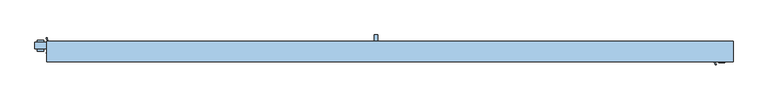
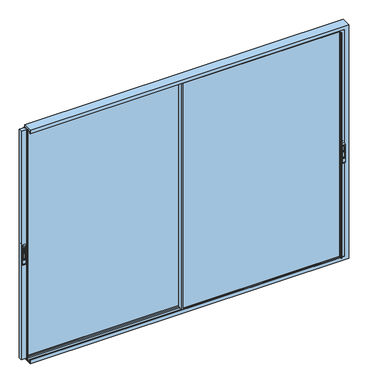
"""IFC4 building model written with IfcOpenShell, lengths in millimetres: window geometry."""

from ifc_helpers import new_model, si_unit, point, frame, frame_2d, origin, place, context, project, spatial, polyline, circle_curve, trimmed, segment, composite_curve, outline, extrude, faceted_brep, source, transform, mapped, element, save
from ifc_brep_helpers import plane_surface, cylinder_surface, revolved_surface, advanced_brep


def window_eadae172(model_context):
    return source(origin(), model_context, "Body", "SolidModel", [
        extrude(outline(composite_curve([segment(polyline([(-39.3, 2125.2189223), (-39.3, 2189.6559659)]), True, "CONTINUOUS"), segment(trimmed(circle_curve(frame_2d((-28.7370436, 2189.6559659)), 10.5629564), [point((-39.3, 2189.6559659))], [point((-28.7370436, 2200.2189223))], False, "CARTESIAN"), True, "CONTINUOUS"), segment(polyline([(-28.7370436, 2200.2189223), (-33.5185218, 2125.2189223), (-39.3, 2125.2189223)]), True, "CONTINUOUS")], self_intersect=False)), frame((-4056.8011682, 0.0, 0.0), z_axis=(1.0, 0.0, 0.0), x_axis=(0.0, 1.0, 0.0)), (0.0, 0.0, 1.0), 14.8235768),
        advanced_brep(
        [(-4031.3935563, -39.3, 2057.5), (-4031.3935563, -27.3, 2040.0), (-4031.3935563, -27.3, 2300.0), (-4031.3935563, -39.3, 2282.5), (-4067.3472469, -39.3, 2057.5), (-4067.3472469, -39.3, 2282.5), (-4067.3472469, -27.3, 2300.0), (-4067.3472469, -27.3, 2040.0), (-4058.1846318, -39.3, 2266.667345), (-4040.5941278, -39.3, 2266.667345), (-4040.5941278, -39.3, 2110.7687336), (-4058.1846318, -39.3, 2110.7687336), (-4040.5941278, -28.7370436, 2266.667345), (-4058.1846318, -28.7370436, 2266.667345), (-4058.1846318, -28.7370436, 2110.7687336), (-4040.5941278, -28.7370436, 2110.7687336)],
        [
            (0, 1, circle_curve(frame((-4031.3935563, -20.5395833, 2057.5), z_axis=(1.0, 0.0, 0.0), x_axis=(0.0, 0.0, -1.0)), 18.7604167)),
            (1, 2),
            (2, 3, circle_curve(frame((-4031.3935563, -20.5395833, 2282.5), z_axis=(1.0, 0.0, 0.0), x_axis=(0.0, 0.0, -1.0)), 18.7604167)),
            (3, 0),
            (4, 5),
            (5, 6, circle_curve(frame((-4067.3472469, -20.5395833, 2282.5), z_axis=(-1.0, 0.0, 0.0), x_axis=(0.0, 0.0, -1.0)), 18.7604167)),
            (6, 7),
            (7, 4, circle_curve(frame((-4067.3472469, -20.5395833, 2057.5), z_axis=(-1.0, 0.0, 0.0), x_axis=(0.0, 0.0, -1.0)), 18.7604167)),
            (1, 7),
            (6, 2),
            (3, 5),
            (4, 0),
            (8, 9),
            (9, 10),
            (10, 11),
            (11, 8),
            (12, 13),
            (13, 14),
            (14, 15),
            (15, 12),
            (12, 9),
            (8, 13),
            (11, 14),
            (10, 15),
        ],
        [
            plane_surface(frame((-4031.3935563, -20.5395833, 2038.7395833), z_axis=(1.0, 0.0, 0.0), x_axis=(0.0, 1.0, 0.0))),
            plane_surface(frame((-4067.3472469, -20.5395833, 2038.7395833), z_axis=(-1.0, 0.0, 0.0), x_axis=(0.0, -1.0, 0.0))),
            plane_surface(frame((-4031.3935563, -27.3, 2040.0), z_axis=(0.0, 1.0, 0.0), x_axis=(-1.0, 0.0, 0.0))),
            plane_surface(frame((-4031.3935563, -39.3, 2282.5), z_axis=(0.0, -1.0, 0.0), x_axis=(-1.0, 0.0, 0.0))),
            plane_surface(frame((-4058.1846318, -28.7370436, 2266.667345), z_axis=(0.0, -1.0, 0.0), x_axis=(1.0, 0.0, 0.0))),
            plane_surface(frame((-4040.5941278, -39.3, 2266.667345), z_axis=(0.0, 0.0, -1.0), x_axis=(0.0, 1.0, 0.0))),
            plane_surface(frame((-4058.1846318, -39.3, 2266.667345), z_axis=(1.0, 0.0, 0.0), x_axis=(0.0, 1.0, 0.0))),
            plane_surface(frame((-4058.1846318, -39.3, 2110.7687336), z_axis=(0.0, 0.0, 1.0), x_axis=(0.0, 1.0, 0.0))),
            plane_surface(frame((-4040.5941278, -39.3, 2110.7687336), z_axis=(-1.0, 0.0, 0.0), x_axis=(0.0, 1.0, 0.0))),
            cylinder_surface(frame((-4067.3472469, -20.5395833, 2057.5), z_axis=(1.0, 0.0, 0.0), x_axis=(0.0, 0.0, -1.0)), 18.7604167),
            cylinder_surface(frame((-4067.3472469, -20.5395833, 2282.5), z_axis=(1.0, 0.0, 0.0), x_axis=(0.0, 0.0, -1.0)), 18.7604167),
        ],
        [
            (0, [[1, 2, 3, 4]]),
            (1, [[5, 6, 7, 8]]),
            (2, [[-2, 9, -7, 10]]),
            (3, [[-4, 11, -5, 12], [13, 14, 15, 16]]),
            (4, [[17, 18, 19, 20]]),
            (5, [[-17, 21, -13, 22]]),
            (6, [[-18, -22, -16, 23]]),
            (7, [[-19, -23, -15, 24]]),
            (8, [[-20, -24, -14, -21]]),
            (9, [[-1, -12, -8, -9]]),
            (10, [[-3, -10, -6, -11]]),
        ],
    ),
        extrude(outline(composite_curve([segment(polyline([(21.1, 2125.2189223), (15.3185218, 2125.2189223), (10.5370436, 2200.2189223)]), True, "CONTINUOUS"), segment(trimmed(circle_curve(frame_2d((10.5370436, 2189.6559659)), 10.5629564), [point((10.5370436, 2200.2189223))], [point((21.1, 2189.6559659))], False, "CARTESIAN"), True, "CONTINUOUS"), segment(polyline([(21.1, 2189.6559659), (21.1, 2125.2189223)]), True, "CONTINUOUS")], self_intersect=False)), frame((-4056.7632118, 0.0, 0.0), z_axis=(1.0, 0.0, 0.0), x_axis=(0.0, 1.0, 0.0)), (0.0, 0.0, 1.0), 14.8235768),
        advanced_brep(
        [(-4067.3472469, 21.1, 2057.5), (-4067.3472469, 9.1, 2040.0), (-4067.3472469, 9.1, 2300.0), (-4067.3472469, 21.1, 2282.5), (-4031.3935563, 21.1, 2057.5), (-4031.3935563, 21.1, 2282.5), (-4031.3935563, 9.1, 2300.0), (-4031.3935563, 9.1, 2040.0), (-4040.5561714, 21.1, 2266.667345), (-4058.1466754, 21.1, 2266.667345), (-4058.1466754, 21.1, 2110.7687336), (-4040.5561714, 21.1, 2110.7687336), (-4058.1466754, 10.5370436, 2266.667345), (-4040.5561714, 10.5370436, 2266.667345), (-4040.5561714, 10.5370436, 2110.7687336), (-4058.1466754, 10.5370436, 2110.7687336)],
        [
            (0, 1, circle_curve(frame((-4067.3472469, 2.3395833, 2057.5), z_axis=(-1.0, 0.0, 0.0), x_axis=(0.0, 0.0, -1.0)), 18.7604167)),
            (1, 2),
            (2, 3, circle_curve(frame((-4067.3472469, 2.3395833, 2282.5), z_axis=(-1.0, 0.0, 0.0), x_axis=(0.0, 0.0, -1.0)), 18.7604167)),
            (3, 0),
            (4, 5),
            (5, 6, circle_curve(frame((-4031.3935563, 2.3395833, 2282.5), z_axis=(1.0, 0.0, 0.0), x_axis=(0.0, 0.0, -1.0)), 18.7604167)),
            (6, 7),
            (7, 4, circle_curve(frame((-4031.3935563, 2.3395833, 2057.5), z_axis=(1.0, 0.0, 0.0), x_axis=(0.0, 0.0, -1.0)), 18.7604167)),
            (1, 7),
            (6, 2),
            (3, 5),
            (4, 0),
            (8, 9),
            (9, 10),
            (10, 11),
            (11, 8),
            (12, 13),
            (13, 14),
            (14, 15),
            (15, 12),
            (12, 9),
            (8, 13),
            (11, 14),
            (10, 15),
        ],
        [
            plane_surface(frame((-4067.3472469, 2.3395833, 2038.7395833), z_axis=(-1.0, 0.0, 0.0), x_axis=(0.0, -1.0, 0.0))),
            plane_surface(frame((-4031.3935563, 2.3395833, 2038.7395833), z_axis=(1.0, 0.0, 0.0), x_axis=(0.0, 1.0, 0.0))),
            plane_surface(frame((-4067.3472469, 9.1, 2040.0), z_axis=(0.0, -1.0, 0.0), x_axis=(1.0, 0.0, 0.0))),
            plane_surface(frame((-4067.3472469, 21.1, 2282.5), z_axis=(0.0, 1.0, 0.0), x_axis=(1.0, 0.0, 0.0))),
            plane_surface(frame((-4040.5561714, 10.5370436, 2266.667345), z_axis=(0.0, 1.0, 0.0), x_axis=(-1.0, 0.0, 0.0))),
            plane_surface(frame((-4058.1466754, 21.1, 2266.667345), z_axis=(0.0, 0.0, -1.0), x_axis=(0.0, -1.0, 0.0))),
            plane_surface(frame((-4040.5561714, 21.1, 2266.667345), z_axis=(-1.0, 0.0, 0.0), x_axis=(0.0, -1.0, 0.0))),
            plane_surface(frame((-4040.5561714, 21.1, 2110.7687336), z_axis=(0.0, 0.0, 1.0), x_axis=(0.0, -1.0, 0.0))),
            plane_surface(frame((-4058.1466754, 21.1, 2110.7687336), z_axis=(1.0, 0.0, 0.0), x_axis=(0.0, -1.0, 0.0))),
            cylinder_surface(frame((-4031.3935563, 2.3395833, 2057.5), z_axis=(-1.0, 0.0, 0.0), x_axis=(0.0, 0.0, -1.0)), 18.7604167),
            cylinder_surface(frame((-4031.3935563, 2.3395833, 2282.5), z_axis=(-1.0, 0.0, 0.0), x_axis=(0.0, 0.0, -1.0)), 18.7604167),
        ],
        [
            (0, [[1, 2, 3, 4]]),
            (1, [[5, 6, 7, 8]]),
            (2, [[-2, 9, -7, 10]]),
            (3, [[-4, 11, -5, 12], [13, 14, 15, 16]]),
            (4, [[17, 18, 19, 20]]),
            (5, [[-17, 21, -13, 22]]),
            (6, [[-18, -22, -16, 23]]),
            (7, [[-19, -23, -15, 24]]),
            (8, [[-20, -24, -14, -21]]),
            (9, [[-1, -12, -8, -9]]),
            (10, [[-3, -10, -6, -11]]),
        ],
    ),
        extrude(outline(composite_curve([segment(polyline([(-105.3, 2125.2189223), (-105.3, 2189.6559659)]), True, "CONTINUOUS"), segment(trimmed(circle_curve(frame_2d((-94.7370436, 2189.6559659)), 10.5629564), [point((-105.3, 2189.6559659))], [point((-94.7370436, 2200.2189223))], False, "CARTESIAN"), True, "CONTINUOUS"), segment(polyline([(-94.7370436, 2200.2189223), (-99.5185218, 2125.2189223), (-105.3, 2125.2189223)]), True, "CONTINUOUS")], self_intersect=False)), frame((-221.5078777, 0.0, 0.0), z_axis=(1.0, 0.0, 0.0), x_axis=(0.0, 1.0, 0.0)), (0.0, 0.0, 1.0), 14.8235768),
        advanced_brep(
        [(-196.1002658, -105.3, 2057.5), (-196.1002658, -93.3, 2040.0), (-196.1002658, -93.3, 2300.0), (-196.1002658, -105.3, 2282.5), (-232.0539565, -105.3, 2057.5), (-232.0539565, -105.3, 2282.5), (-232.0539565, -93.3, 2300.0), (-232.0539565, -93.3, 2040.0), (-222.8913413, -105.3, 2266.667345), (-205.3008373, -105.3, 2266.667345), (-205.3008373, -105.3, 2110.7687336), (-222.8913413, -105.3, 2110.7687336), (-205.3008373, -94.7370436, 2266.667345), (-222.8913413, -94.7370436, 2266.667345), (-222.8913413, -94.7370436, 2110.7687336), (-205.3008373, -94.7370436, 2110.7687336)],
        [
            (0, 1, circle_curve(frame((-196.1002658, -86.5395833, 2057.5), z_axis=(1.0, 0.0, 0.0), x_axis=(0.0, 0.0, -1.0)), 18.7604167)),
            (1, 2),
            (2, 3, circle_curve(frame((-196.1002658, -86.5395833, 2282.5), z_axis=(1.0, 0.0, 0.0), x_axis=(0.0, 0.0, -1.0)), 18.7604167)),
            (3, 0),
            (4, 5),
            (5, 6, circle_curve(frame((-232.0539565, -86.5395833, 2282.5), z_axis=(-1.0, 0.0, 0.0), x_axis=(0.0, 0.0, -1.0)), 18.7604167)),
            (6, 7),
            (7, 4, circle_curve(frame((-232.0539565, -86.5395833, 2057.5), z_axis=(-1.0, 0.0, 0.0), x_axis=(0.0, 0.0, -1.0)), 18.7604167)),
            (1, 7),
            (6, 2),
            (3, 5),
            (4, 0),
            (8, 9),
            (9, 10),
            (10, 11),
            (11, 8),
            (12, 13),
            (13, 14),
            (14, 15),
            (15, 12),
            (12, 9),
            (8, 13),
            (11, 14),
            (10, 15),
        ],
        [
            plane_surface(frame((-196.1002658, -86.5395833, 2038.7395833), z_axis=(1.0, 0.0, 0.0), x_axis=(0.0, 1.0, 0.0))),
            plane_surface(frame((-232.0539565, -86.5395833, 2038.7395833), z_axis=(-1.0, 0.0, 0.0), x_axis=(0.0, -1.0, 0.0))),
            plane_surface(frame((-196.1002658, -93.3, 2040.0), z_axis=(0.0, 1.0, 0.0), x_axis=(-1.0, 0.0, 0.0))),
            plane_surface(frame((-196.1002658, -105.3, 2282.5), z_axis=(0.0, -1.0, 0.0), x_axis=(-1.0, 0.0, 0.0))),
            plane_surface(frame((-222.8913413, -94.7370436, 2266.667345), z_axis=(0.0, -1.0, 0.0), x_axis=(1.0, 0.0, 0.0))),
            plane_surface(frame((-205.3008373, -105.3, 2266.667345), z_axis=(0.0, 0.0, -1.0), x_axis=(0.0, 1.0, 0.0))),
            plane_surface(frame((-222.8913413, -105.3, 2266.667345), z_axis=(1.0, 0.0, 0.0), x_axis=(0.0, 1.0, 0.0))),
            plane_surface(frame((-222.8913413, -105.3, 2110.7687336), z_axis=(0.0, 0.0, 1.0), x_axis=(0.0, 1.0, 0.0))),
            plane_surface(frame((-205.3008373, -105.3, 2110.7687336), z_axis=(-1.0, 0.0, 0.0), x_axis=(0.0, 1.0, 0.0))),
            cylinder_surface(frame((-232.0539565, -86.5395833, 2057.5), z_axis=(1.0, 0.0, 0.0), x_axis=(0.0, 0.0, -1.0)), 18.7604167),
            cylinder_surface(frame((-232.0539565, -86.5395833, 2282.5), z_axis=(1.0, 0.0, 0.0), x_axis=(0.0, 0.0, -1.0)), 18.7604167),
        ],
        [
            (0, [[1, 2, 3, 4]]),
            (1, [[5, 6, 7, 8]]),
            (2, [[-2, 9, -7, 10]]),
            (3, [[-4, 11, -5, 12], [13, 14, 15, 16]]),
            (4, [[17, 18, 19, 20]]),
            (5, [[-17, 21, -13, 22]]),
            (6, [[-18, -22, -16, 23]]),
            (7, [[-19, -23, -15, 24]]),
            (8, [[-20, -24, -14, -21]]),
            (9, [[-1, -12, -8, -9]]),
            (10, [[-3, -10, -6, -11]]),
        ],
    ),
        extrude(outline(composite_curve([segment(polyline([(-44.9, 2125.2189223), (-50.6814782, 2125.2189223), (-55.4629564, 2200.2189223)]), True, "CONTINUOUS"), segment(trimmed(circle_curve(frame_2d((-55.4629564, 2189.6559659)), 10.5629564), [point((-55.4629564, 2200.2189223))], [point((-44.9, 2189.6559659))], False, "CARTESIAN"), True, "CONTINUOUS"), segment(polyline([(-44.9, 2189.6559659), (-44.9, 2125.2189223)]), True, "CONTINUOUS")], self_intersect=False)), frame((-221.4760993, 0.0, 0.0), z_axis=(1.0, 0.0, 0.0), x_axis=(0.0, 1.0, 0.0)), (0.0, 0.0, 1.0), 14.8235768),
        advanced_brep(
        [(-232.0601344, -44.9, 2057.5), (-232.0601344, -56.9, 2040.0), (-232.0601344, -56.9, 2300.0), (-232.0601344, -44.9, 2282.5), (-196.1064437, -44.9, 2057.5), (-196.1064437, -44.9, 2282.5), (-196.1064437, -56.9, 2300.0), (-196.1064437, -56.9, 2040.0), (-205.2690589, -44.9, 2266.667345), (-222.8595629, -44.9, 2266.667345), (-222.8595629, -44.9, 2110.7687336), (-205.2690589, -44.9, 2110.7687336), (-222.8595629, -55.4629564, 2266.667345), (-205.2690589, -55.4629564, 2266.667345), (-205.2690589, -55.4629564, 2110.7687336), (-222.8595629, -55.4629564, 2110.7687336)],
        [
            (0, 1, circle_curve(frame((-232.0601344, -63.6604167, 2057.5), z_axis=(-1.0, 0.0, 0.0), x_axis=(0.0, 0.0, -1.0)), 18.7604167)),
            (1, 2),
            (2, 3, circle_curve(frame((-232.0601344, -63.6604167, 2282.5), z_axis=(-1.0, 0.0, 0.0), x_axis=(0.0, 0.0, -1.0)), 18.7604167)),
            (3, 0),
            (4, 5),
            (5, 6, circle_curve(frame((-196.1064437, -63.6604167, 2282.5), z_axis=(1.0, 0.0, 0.0), x_axis=(0.0, 0.0, -1.0)), 18.7604167)),
            (6, 7),
            (7, 4, circle_curve(frame((-196.1064437, -63.6604167, 2057.5), z_axis=(1.0, 0.0, 0.0), x_axis=(0.0, 0.0, -1.0)), 18.7604167)),
            (1, 7),
            (6, 2),
            (3, 5),
            (4, 0),
            (8, 9),
            (9, 10),
            (10, 11),
            (11, 8),
            (12, 13),
            (13, 14),
            (14, 15),
            (15, 12),
            (12, 9),
            (8, 13),
            (11, 14),
            (10, 15),
        ],
        [
            plane_surface(frame((-232.0601344, -63.6604167, 2038.7395833), z_axis=(-1.0, 0.0, 0.0), x_axis=(0.0, -1.0, 0.0))),
            plane_surface(frame((-196.1064437, -63.6604167, 2038.7395833), z_axis=(1.0, 0.0, 0.0), x_axis=(0.0, 1.0, 0.0))),
            plane_surface(frame((-232.0601344, -56.9, 2040.0), z_axis=(0.0, -1.0, 0.0), x_axis=(1.0, 0.0, 0.0))),
            plane_surface(frame((-232.0601344, -44.9, 2282.5), z_axis=(0.0, 1.0, 0.0), x_axis=(1.0, 0.0, 0.0))),
            plane_surface(frame((-205.2690589, -55.4629564, 2266.667345), z_axis=(0.0, 1.0, 0.0), x_axis=(-1.0, 0.0, 0.0))),
            plane_surface(frame((-222.8595629, -44.9, 2266.667345), z_axis=(0.0, 0.0, -1.0), x_axis=(0.0, -1.0, 0.0))),
            plane_surface(frame((-205.2690589, -44.9, 2266.667345), z_axis=(-1.0, 0.0, 0.0), x_axis=(0.0, -1.0, 0.0))),
            plane_surface(frame((-205.2690589, -44.9, 2110.7687336), z_axis=(0.0, 0.0, 1.0), x_axis=(0.0, -1.0, 0.0))),
            plane_surface(frame((-222.8595629, -44.9, 2110.7687336), z_axis=(1.0, 0.0, 0.0), x_axis=(0.0, -1.0, 0.0))),
            cylinder_surface(frame((-196.1064437, -63.6604167, 2057.5), z_axis=(-1.0, 0.0, 0.0), x_axis=(0.0, 0.0, -1.0)), 18.7604167),
            cylinder_surface(frame((-196.1064437, -63.6604167, 2282.5), z_axis=(-1.0, 0.0, 0.0), x_axis=(0.0, 0.0, -1.0)), 18.7604167),
        ],
        [
            (0, [[1, 2, 3, 4]]),
            (1, [[5, 6, 7, 8]]),
            (2, [[-2, 9, -7, 10]]),
            (3, [[-4, 11, -5, 12], [13, 14, 15, 16]]),
            (4, [[17, 18, 19, 20]]),
            (5, [[-17, 21, -13, 22]]),
            (6, [[-18, -22, -16, 23]]),
            (7, [[-19, -23, -15, 24]]),
            (8, [[-20, -24, -14, -21]]),
            (9, [[-1, -12, -8, -9]]),
            (10, [[-3, -10, -6, -11]]),
        ],
    ),
        faceted_brep([(-4016.4123052, 15.8, 800.0), (-4016.4123052, -100.0, 800.0), (-4016.4123052, -100.0, 844.0), (-4016.4123052, -95.8, 844.0), (-4016.4123052, -95.8, 819.456958), (-4016.4123052, -53.9, 819.456958), (-4016.4123052, -53.9, 844.0), (-4016.4123052, -30.3, 844.0), (-4016.4123052, -30.3, 819.2), (-4016.4123052, 12.1, 819.2), (-4016.4123052, 12.1, 844.0), (-4016.4123052, 15.8, 844.0), (-150.0, 15.8, 800.0), (-150.0, -100.0, 800.0), (-150.0, -100.0, 3800.0), (-4016.4123052, -100.0, 3800.0), (-4016.4123052, -100.0, 3756.0), (-194.0, -100.0, 3756.0), (-194.0, -100.0, 844.0), (-194.0, -95.8, 844.0), (-194.0, -95.8, 3756.0), (-4016.4123052, -95.8, 3756.0), (-4016.4123052, -95.8, 3780.543042), (-169.456958, -95.8, 3780.543042), (-169.456958, -95.8, 819.456958), (-169.456958, -53.9, 819.456958), (-169.456958, -53.9, 3780.543042), (-4016.4123052, -53.9, 3780.543042), (-4016.4123052, -53.9, 3756.0), (-194.0, -53.9, 3756.0), (-194.0, -53.9, 844.0), (-194.0, -30.3, 844.0), (-194.0, -30.3, 3756.0), (-4016.4123052, -30.3, 3756.0), (-4016.4123052, -30.3, 3780.8), (-169.2, -30.3, 3780.8), (-169.2, -30.3, 819.2), (-169.2, 12.1, 819.2), (-169.2, 12.1, 3780.8), (-4016.4123052, 12.1, 3780.8), (-4016.4123052, 12.1, 3756.0), (-194.0, 12.1, 3756.0), (-194.0, 12.1, 844.0), (-194.0, 15.8, 844.0), (-194.0, 15.8, 3756.0), (-4016.4123052, 15.8, 3756.0), (-4016.4123052, 15.8, 3800.0), (-150.0, 15.8, 3800.0)], [[[0, 1, 2, 3, 4, 5, 6, 7, 8, 9, 10, 11]], [[1, 0, 12, 13]], [[2, 1, 13, 14, 15, 16, 17, 18]], [[3, 2, 18, 19]], [[4, 3, 19, 20, 21, 22, 23, 24]], [[5, 4, 24, 25]], [[6, 5, 25, 26, 27, 28, 29, 30]], [[7, 6, 30, 31]], [[8, 7, 31, 32, 33, 34, 35, 36]], [[9, 8, 36, 37]], [[10, 9, 37, 38, 39, 40, 41, 42]], [[11, 10, 42, 43]], [[0, 11, 43, 44, 45, 46, 47, 12]], [[13, 12, 47, 14]], [[19, 18, 17, 20]], [[25, 24, 23, 26]], [[31, 30, 29, 32]], [[37, 36, 35, 38]], [[43, 42, 41, 44]], [[14, 47, 46, 15]], [[46, 45, 40, 39, 34, 33, 28, 27, 22, 21, 16, 15]], [[20, 17, 16, 21]], [[26, 23, 22, 27]], [[32, 29, 28, 33]], [[38, 35, 34, 39]], [[44, 41, 40, 45]]]),
        extrude(outline(polyline([(-192.4, 9.7), (-192.4, -27.9), (-169.5, -27.9), (-169.5, -30.0), (-194.0, -30.0), (-194.0, 11.8), (-169.5, 11.8), (-169.5, 9.7), (-192.4, 9.7)])), frame((0.0, 0.0, 820.982126), z_axis=(0.0, 0.0, 1.0), x_axis=(1.0, 0.0, 0.0)), (0.0, 0.0, 1.0), 2960.1391298),
        extrude(outline(polyline([(-2162.0, -90.1), (-2162.0, -60.1), (-241.0729644, -60.1), (-241.0729644, -90.1), (-2162.0, -90.1)])), frame((0.0, 0.0, 844.0), z_axis=(0.0, 0.0, 1.0), x_axis=(1.0, 0.0, 0.0)), (0.0, 0.0, 1.0), 2908.9999325),
        extrude(outline(polyline([(-4022.4270356, -24.1), (-4022.4270356, 5.9), (-2158.0, 5.9), (-2158.0, -24.1), (-4022.4270356, -24.1)])), frame((0.0, 0.0, 847.0000675), z_axis=(0.0, 0.0, 1.0), x_axis=(1.0, 0.0, 0.0)), (0.0, 0.0, 1.0), 2905.9998651),
        advanced_brep(
        [(-2170.0, -56.9, 832.5), (-2170.0, -93.3, 832.5), (-2170.0, -93.3, 3764.8884213), (-2170.0, -56.9, 3764.8884213), (-2170.0, -56.9, 3756.0), (-2170.0, -30.3, 3756.0), (-2170.0, -30.3, 847.0000675), (-2170.0, -56.9, 847.0000675), (-181.7, -56.9, 832.5), (-181.7, -93.3, 832.5), (-181.7, -93.3, 3764.8884213), (-247.6184395, -93.3, 847.0000675), (-253.0, -93.3, 847.0000675), (-253.0, -93.3, 3741.0), (-247.6184395, -93.3, 3741.0), (-255.0, -93.3, 859.0), (-2150.0, -93.3, 859.0), (-2150.0, -93.3, 3741.0), (-255.0, -93.3, 3741.0), (-2160.0, -30.3, 3756.0), (-2160.0, -30.3, 847.0000675), (-2160.0, -56.9, 847.0000675), (-2160.0, -56.9, 3756.0), (-181.7, -56.9, 3764.8884213), (-253.0, -56.9, 847.0000675), (-247.6184395, -56.9, 847.0000675), (-247.6184395, -56.9, 3741.0), (-253.0, -56.9, 3741.0), (-255.0, -56.9, 3741.0), (-2150.0, -56.9, 3741.0), (-2150.0, -56.9, 859.0), (-255.0, -56.9, 859.0), (-181.7, -90.1, 3741.0), (-181.7, -90.1, 3752.9999325), (-181.7, -60.1, 3752.9999325), (-181.7, -60.1, 3741.0), (-250.5022246, -95.4730879, 847.0000675), (-251.873569, -100.2555341, 847.0000675), (-251.760369, -102.2330365, 847.0000675), (-246.0252178, -117.6432139, 847.0000675), (-246.5, -118.3, 847.0000675), (-249.2600389, -118.3, 847.0000675), (-250.2163437, -117.5923717, 847.0000675), (-254.8837851, -102.3258588, 847.0000675), (-254.8837851, -99.8695393, 847.0000675), (-254.8837851, -50.3304607, 847.0000675), (-254.8837851, -47.8741412, 847.0000675), (-250.2163437, -32.6076283, 847.0000675), (-249.2600389, -31.9, 847.0000675), (-246.5, -31.9, 847.0000675), (-246.0252178, -32.5567861, 847.0000675), (-251.760369, -47.9669635, 847.0000675), (-251.873569, -49.9444659, 847.0000675), (-250.5022246, -54.7269121, 847.0000675), (-254.8837851, -99.8695393, 3741.0), (-250.5022246, -95.4730879, 3741.0), (-255.0, -90.1, 859.0), (-2150.0, -90.1, 859.0), (-2150.0, -90.1, 3741.0), (-255.0, -90.1, 3741.0), (-241.0729644, -90.1, 3741.0), (-241.0729644, -90.1, 847.0000675), (-2162.0, -90.1, 847.0000675), (-2162.0, -90.1, 3752.9999325), (-241.0729644, -60.1, 3741.0), (-241.0729644, -60.1, 847.0000675), (-2162.0, -60.1, 847.0000675), (-2162.0, -60.1, 3752.9999325), (-255.0, -60.1, 859.0), (-2150.0, -60.1, 859.0), (-2150.0, -60.1, 3741.0), (-255.0, -60.1, 3741.0), (-250.5022246, -54.7269121, 3741.0), (-254.8837851, -50.3304607, 3741.0), (-251.873569, -100.2555341, 3741.0), (-251.760369, -102.2330365, 3741.0), (-246.0252178, -117.6432139, 3741.0), (-246.5, -118.3, 3741.0), (-249.2600389, -118.3, 3741.0), (-250.2163437, -117.5923717, 3741.0), (-254.8837851, -102.3258588, 3741.0), (-254.8837851, -47.8741412, 3741.0), (-250.2163437, -32.6076283, 3741.0), (-249.2600389, -31.9, 3741.0), (-246.5, -31.9, 3741.0), (-246.0252178, -32.5567861, 3741.0), (-251.760369, -47.9669635, 3741.0), (-251.873569, -49.9444659, 3741.0)],
        [
            (0, 1),
            (1, 2),
            (2, 3),
            (3, 4),
            (4, 5),
            (5, 6),
            (6, 7),
            (7, 0),
            (0, 8),
            (8, 9),
            (9, 1),
            (9, 10),
            (10, 2),
            (11, 12),
            (12, 13),
            (13, 14),
            (14, 11),
            (15, 16),
            (16, 17),
            (17, 18),
            (18, 15),
            (5, 19),
            (19, 20),
            (20, 6),
            (20, 21),
            (21, 7),
            (21, 22),
            (22, 4),
            (3, 23),
            (23, 8),
            (24, 25),
            (25, 26),
            (26, 27),
            (27, 24),
            (28, 29),
            (29, 30),
            (30, 31),
            (31, 28),
            (23, 10),
            (32, 33),
            (33, 34),
            (34, 35),
            (35, 32),
            (11, 36, circle_curve(frame((-247.6184395, -96.3, 847.0000675), z_axis=(0.0, 0.0, 1.0), x_axis=(1.0, 0.0, 0.0)), 3.0)),
            (36, 37),
            (37, 38, circle_curve(frame((-248.9897839, -101.0824462, 847.0000675), z_axis=(0.0, 0.0, 1.0), x_axis=(1.0, 0.0, 0.0)), 3.0)),
            (38, 39, circle_curve(frame((-455.1931585, -186.7162025, 847.0000675), z_axis=(0.0, 0.0, -1.0), x_axis=(1.0, 0.0, 0.0)), 220.2777909)),
            (39, 40, circle_curve(frame((-246.5, -117.8, 847.0000675), z_axis=(0.0, 0.0, -1.0), x_axis=(1.0, 0.0, 0.0)), 0.5)),
            (40, 41),
            (41, 42, circle_curve(frame((-249.2600389, -117.3, 847.0000675), z_axis=(0.0, 0.0, -1.0), x_axis=(1.0, 0.0, 0.0)), 1.0)),
            (42, 43),
            (43, 44, circle_curve(frame((-250.6006832, -101.097699, 847.0000675), z_axis=(0.0, 0.0, -1.0), x_axis=(1.0, 0.0, 0.0)), 4.4557085)),
            (44, 12),
            (24, 45),
            (45, 46, circle_curve(frame((-250.6006832, -49.102301, 847.0000675), z_axis=(0.0, 0.0, -1.0), x_axis=(1.0, 0.0, 0.0)), 4.4557085)),
            (46, 47),
            (47, 48, circle_curve(frame((-249.2600389, -32.9, 847.0000675), z_axis=(0.0, 0.0, -1.0), x_axis=(1.0, 0.0, 0.0)), 1.0)),
            (48, 49),
            (49, 50, circle_curve(frame((-246.5, -32.4, 847.0000675), z_axis=(0.0, 0.0, -1.0), x_axis=(1.0, 0.0, 0.0)), 0.5)),
            (50, 51, circle_curve(frame((-455.1931585, 36.5162025, 847.0000675), z_axis=(0.0, 0.0, -1.0), x_axis=(1.0, 0.0, 0.0)), 220.2777909)),
            (51, 52, circle_curve(frame((-248.9897839, -49.1175538, 847.0000675), z_axis=(0.0, 0.0, 1.0), x_axis=(1.0, 0.0, 0.0)), 3.0)),
            (52, 53),
            (53, 25, circle_curve(frame((-247.6184395, -53.9, 847.0000675), z_axis=(0.0, 0.0, 1.0), x_axis=(1.0, 0.0, 0.0)), 3.0)),
            (54, 13),
            (44, 54),
            (14, 55, circle_curve(frame((-247.6184395, -96.3, 3741.0), z_axis=(0.0, 0.0, 1.0), x_axis=(1.0, 0.0, 0.0)), 3.0)),
            (55, 36),
            (15, 56),
            (56, 57),
            (57, 16),
            (57, 58),
            (58, 17),
            (18, 59),
            (59, 56),
            (32, 60),
            (60, 61),
            (61, 62),
            (62, 63),
            (63, 33),
            (59, 58),
            (60, 64),
            (64, 65),
            (65, 61),
            (65, 66),
            (66, 62),
            (66, 67),
            (67, 63),
            (34, 67),
            (64, 35),
            (68, 69),
            (69, 70),
            (70, 71),
            (71, 68),
            (68, 31),
            (30, 69),
            (29, 70),
            (71, 28),
            (19, 22),
            (72, 26, circle_curve(frame((-247.6184395, -53.9, 3741.0), z_axis=(0.0, 0.0, 1.0), x_axis=(1.0, 0.0, 0.0)), 3.0)),
            (53, 72),
            (27, 73),
            (73, 45),
            (55, 74),
            (74, 37),
            (74, 75, circle_curve(frame((-248.9897839, -101.0824462, 3741.0), z_axis=(0.0, 0.0, 1.0), x_axis=(1.0, 0.0, 0.0)), 3.0)),
            (75, 38),
            (75, 76, circle_curve(frame((-455.1931585, -186.7162025, 3741.0), z_axis=(0.0, 0.0, -1.0), x_axis=(1.0, 0.0, 0.0)), 220.2777909)),
            (76, 39),
            (76, 77, circle_curve(frame((-246.5, -117.8, 3741.0), z_axis=(0.0, 0.0, -1.0), x_axis=(1.0, 0.0, 0.0)), 0.5)),
            (77, 40),
            (77, 78),
            (78, 41),
            (78, 79, circle_curve(frame((-249.2600389, -117.3, 3741.0), z_axis=(0.0, 0.0, -1.0), x_axis=(1.0, 0.0, 0.0)), 1.0)),
            (79, 42),
            (79, 80),
            (80, 43),
            (80, 54, circle_curve(frame((-250.6006832, -101.097699, 3741.0), z_axis=(0.0, 0.0, -1.0), x_axis=(1.0, 0.0, 0.0)), 4.4557085)),
            (73, 81, circle_curve(frame((-250.6006832, -49.102301, 3741.0), z_axis=(0.0, 0.0, -1.0), x_axis=(1.0, 0.0, 0.0)), 4.4557085)),
            (81, 46),
            (81, 82),
            (82, 47),
            (82, 83, circle_curve(frame((-249.2600389, -32.9, 3741.0), z_axis=(0.0, 0.0, -1.0), x_axis=(1.0, 0.0, 0.0)), 1.0)),
            (83, 48),
            (83, 84),
            (84, 49),
            (84, 85, circle_curve(frame((-246.5, -32.4, 3741.0), z_axis=(0.0, 0.0, -1.0), x_axis=(1.0, 0.0, 0.0)), 0.5)),
            (85, 50),
            (85, 86, circle_curve(frame((-455.1931585, 36.5162025, 3741.0), z_axis=(0.0, 0.0, -1.0), x_axis=(1.0, 0.0, 0.0)), 220.2777909)),
            (86, 51),
            (86, 87, circle_curve(frame((-248.9897839, -49.1175538, 3741.0), z_axis=(0.0, 0.0, 1.0), x_axis=(1.0, 0.0, 0.0)), 3.0)),
            (87, 52),
            (87, 72),
        ],
        [
            plane_surface(frame((-2170.0, -93.3, 859.0), z_axis=(-1.0, 0.0, 0.0), x_axis=(0.0, 0.0, 1.0))),
            plane_surface(frame((-2170.0, -56.9, 832.5), z_axis=(0.0, 0.0, -1.0), x_axis=(1.0, 0.0, 0.0))),
            plane_surface(frame((-2170.0, -93.3, 832.5), z_axis=(0.0, -1.0, 0.0), x_axis=(1.0, 0.0, 0.0))),
            plane_surface(frame((-2160.0, -30.3, 3756.0), z_axis=(0.0, 1.0, 0.0), x_axis=(0.0, 0.0, -1.0))),
            plane_surface(frame((-2150.0, -93.3, 847.0000675), z_axis=(0.0, 0.0, -1.0), x_axis=(0.0, -1.0, 0.0))),
            plane_surface(frame((-2170.0, -56.9, 859.0), z_axis=(0.0, 1.0, 0.0), x_axis=(1.0, 0.0, 0.0))),
            plane_surface(frame((-181.7, -93.3, 859.0), z_axis=(1.0, 0.0, 0.0), x_axis=(0.0, 0.0, -1.0))),
            plane_surface(frame((-247.6184395, -56.9, 847.0000675), z_axis=(0.0, 0.0, -1.0), x_axis=(1.0, 0.0, 0.0))),
            plane_surface(frame((-253.0, -93.3, 3741.0), z_axis=(-0.9612616959385242, 0.27563735581628346, 0.0), x_axis=(0.0, 0.0, -1.0))),
            revolved_surface(polyline([(-244.6184395, -96.3, 847.0000675), (-244.6184395, -96.3, 3741.0)]), (-247.6184395, -96.3, 847.0000675), (0.0, 0.0, -1.0)),
            plane_surface(frame((-2170.0, -93.3, 859.0), z_axis=(0.0, 0.0, 1.0), x_axis=(1.0, 0.0, 0.0))),
            plane_surface(frame((-2150.0, -93.3, 3756.0), z_axis=(1.0, 0.0, 0.0), x_axis=(0.0, 0.0, -1.0))),
            plane_surface(frame((-255.0, -90.1, 3741.0), z_axis=(-1.0, 0.0, 0.0), x_axis=(0.0, 0.0, -1.0))),
            plane_surface(frame((-2170.0, -90.1, 859.0), z_axis=(0.0, 1.0, 0.0), x_axis=(1.0, 0.0, 0.0))),
            plane_surface(frame((-241.0729644, -60.1, 3741.0), z_axis=(-1.0, 0.0, 0.0), x_axis=(0.0, 0.0, -1.0))),
            plane_surface(frame((-2170.0, -90.1, 847.0000675), z_axis=(0.0, 0.0, 1.0), x_axis=(1.0, 0.0, 0.0))),
            plane_surface(frame((-2162.0, -90.1, 3756.0), z_axis=(1.0, 0.0, 0.0), x_axis=(0.0, 0.0, -1.0))),
            plane_surface(frame((-2170.0, -60.1, 847.0000675), z_axis=(0.0, -1.0, 0.0), x_axis=(1.0, 0.0, 0.0))),
            plane_surface(frame((-2170.0, -60.1, 859.0), z_axis=(0.0, 0.0, 1.0), x_axis=(1.0, 0.0, 0.0))),
            plane_surface(frame((-2150.0, -60.1, 3756.0), z_axis=(1.0, 0.0, 0.0), x_axis=(0.0, 0.0, -1.0))),
            plane_surface(frame((-255.0, -56.9, 3741.0), z_axis=(-1.0, 0.0, 0.0), x_axis=(0.0, 0.0, -1.0))),
            plane_surface(frame((-2160.0, -56.9, 3756.0), z_axis=(1.0, 0.0, 0.0), x_axis=(0.0, 0.0, -1.0))),
            revolved_surface(polyline([(-244.6184395, -53.9, 847.0000675), (-244.6184395, -53.9, 3741.0)]), (-247.6184395, -53.9, 847.0000675), (0.0, 0.0, -1.0)),
            plane_surface(frame((-254.8837851, -50.3304607, 3741.0), z_axis=(-0.9612616959406562, -0.2756373558088481, 0.0), x_axis=(0.0, 0.0, -1.0))),
            plane_surface(frame((-251.873569, -100.2555341, 3741.0), z_axis=(0.9612616959389647, -0.2756373558147471, 0.0), x_axis=(0.0, 0.0, -1.0))),
            revolved_surface(polyline([(-245.9897839, -101.0824462, 847.0000675), (-245.9897839, -101.0824462, 3741.0)]), (-248.9897839, -101.0824462, 847.0000675), (0.0, 0.0, -1.0)),
            cylinder_surface(frame((-455.1931585, -186.7162025, 847.0000675), z_axis=(0.0, 0.0, 1.0), x_axis=(1.0, 0.0, 0.0)), 220.2777909),
            cylinder_surface(frame((-246.5, -117.8, 847.0000675), z_axis=(0.0, 0.0, 1.0), x_axis=(1.0, 0.0, 0.0)), 0.5),
            plane_surface(frame((-249.2600389, -118.3, 3741.0), z_axis=(0.0, -1.0, 0.0), x_axis=(0.0, 0.0, -1.0))),
            cylinder_surface(frame((-249.2600389, -117.3, 847.0000675), z_axis=(0.0, 0.0, 1.0), x_axis=(1.0, 0.0, 0.0)), 1.0),
            plane_surface(frame((-254.8837851, -102.3258588, 3741.0), z_axis=(-0.9563047559630842, -0.2923717047225778, 0.0), x_axis=(0.0, 0.0, -1.0))),
            cylinder_surface(frame((-250.6006832, -101.097699, 847.0000675), z_axis=(0.0, 0.0, 1.0), x_axis=(1.0, 0.0, 0.0)), 4.4557085),
            cylinder_surface(frame((-250.6006832, -49.102301, 847.0000675), z_axis=(0.0, 0.0, 1.0), x_axis=(1.0, 0.0, 0.0)), 4.4557085),
            plane_surface(frame((-250.2163437, -32.6076283, 3741.0), z_axis=(-0.9563047559630412, 0.29237170472271795, 0.0), x_axis=(0.0, 0.0, -1.0))),
            cylinder_surface(frame((-249.2600389, -32.9, 847.0000675), z_axis=(0.0, 0.0, 1.0), x_axis=(1.0, 0.0, 0.0)), 1.0),
            plane_surface(frame((-246.5, -31.9, 3741.0), z_axis=(0.0, 1.0, 0.0), x_axis=(0.0, 0.0, -1.0))),
            cylinder_surface(frame((-246.5, -32.4, 847.0000675), z_axis=(0.0, 0.0, 1.0), x_axis=(1.0, 0.0, 0.0)), 0.5),
            cylinder_surface(frame((-455.1931585, 36.5162025, 847.0000675), z_axis=(0.0, 0.0, 1.0), x_axis=(1.0, 0.0, 0.0)), 220.2777909),
            revolved_surface(polyline([(-245.9897839, -49.1175538, 847.0000675), (-245.9897839, -49.1175538, 3741.0)]), (-248.9897839, -49.1175538, 847.0000675), (0.0, 0.0, -1.0)),
            plane_surface(frame((-250.5022246, -54.7269121, 3741.0), z_axis=(0.9612616959418026, 0.2756373558048502, 0.0), x_axis=(0.0, 0.0, -1.0))),
            plane_surface(frame((-2170.0, -93.3, 3764.8884213), z_axis=(0.0, 0.0, 1.0), x_axis=(1.0, 0.0, 0.0))),
            plane_surface(frame((-2150.0, -93.3, 3756.0), z_axis=(0.0, 0.0, 1.0), x_axis=(0.0, 1.0, 0.0))),
            plane_surface(frame((-2170.0, -60.1, 3752.9999325), z_axis=(0.0, 0.0, -1.0), x_axis=(1.0, 0.0, 0.0))),
            plane_surface(frame((-247.6184395, -56.9, 3741.0), z_axis=(0.0, 0.0, 1.0), x_axis=(-1.0, 0.0, 0.0))),
            plane_surface(frame((-2170.0, -90.1, 3741.0), z_axis=(0.0, 0.0, -1.0), x_axis=(1.0, 0.0, 0.0))),
            plane_surface(frame((-2170.0, -56.9, 3741.0), z_axis=(0.0, 0.0, -1.0), x_axis=(1.0, 0.0, 0.0))),
        ],
        [
            (0, [[1, 2, 3, 4, 5, 6, 7, 8]]),
            (1, [[-1, 9, 10, 11]]),
            (2, [[-2, -11, 12, 13], [14, 15, 16, 17], [18, 19, 20, 21]]),
            (3, [[22, 23, 24, -6]]),
            (4, [[-24, 25, 26, -7]]),
            (5, [[-9, -8, -26, 27, 28, -4, 29, 30], [31, 32, 33, 34], [35, 36, 37, 38]]),
            (6, [[-10, -30, 39, -12], [40, 41, 42, 43]]),
            (7, [[44, 45, 46, 47, 48, 49, 50, 51, 52, 53, -14]]),
            (7, [[54, 55, 56, 57, 58, 59, 60, 61, 62, 63, -31]]),
            (8, [[64, -15, -53, 65]]),
            (9, [[66, 67, -44, -17]]),
            (10, [[68, 69, 70, -18]]),
            (11, [[-19, -70, 71, 72]]),
            (12, [[-21, 73, 74, -68]]),
            (13, [[-40, 75, 76, 77, 78, 79], [80, -71, -69, -74]]),
            (14, [[81, 82, 83, -76]]),
            (15, [[-77, -83, 84, 85]]),
            (16, [[86, 87, -78, -85]]),
            (17, [[-42, 88, -86, -84, -82, 89], [90, 91, 92, 93]]),
            (18, [[94, -37, 95, -90]]),
            (19, [[-91, -95, -36, 96]]),
            (20, [[-93, 97, -38, -94]]),
            (21, [[98, -27, -25, -23]]),
            (22, [[99, -32, -63, 100]]),
            (23, [[101, 102, -54, -34]]),
            (24, [[103, 104, -45, -67]]),
            (25, [[105, 106, -46, -104]]),
            (26, [[107, 108, -47, -106]]),
            (27, [[109, 110, -48, -108]]),
            (28, [[111, 112, -49, -110]]),
            (29, [[113, 114, -50, -112]]),
            (30, [[115, 116, -51, -114]]),
            (31, [[117, -65, -52, -116]]),
            (32, [[118, 119, -55, -102]]),
            (33, [[120, 121, -56, -119]]),
            (34, [[122, 123, -57, -121]]),
            (35, [[124, 125, -58, -123]]),
            (36, [[126, 127, -59, -125]]),
            (37, [[128, 129, -60, -127]]),
            (38, [[130, 131, -61, -129]]),
            (39, [[132, -100, -62, -131]]),
            (40, [[-3, -13, -39, -29]]),
            (41, [[-98, -22, -5, -28]]),
            (42, [[-88, -41, -79, -87]]),
            (43, [[-99, -132, -130, -128, -126, -124, -122, -120, -118, -101, -33]]),
            (43, [[-81, -75, -43, -89]]),
            (43, [[-64, -117, -115, -113, -111, -109, -107, -105, -103, -66, -16]]),
            (44, [[-73, -20, -72, -80]]),
            (45, [[-97, -92, -96, -35]]),
        ],
    ),
        advanced_brep(
        [(-4081.8, 9.1, 832.5), (-4081.8, -27.3, 832.5), (-4081.8, -27.3, 3764.8884213), (-4081.8, 9.1, 3764.8884213), (-2150.0, 9.1, 832.5), (-2150.0, -27.3, 832.5), (-2150.0, -27.3, 847.0000675), (-2160.0, -27.3, 847.0000675), (-2160.0, -27.3, 3756.0), (-2150.0, -27.3, 3756.0), (-2150.0, -27.3, 3764.8884213), (-2170.0, -27.3, 859.0), (-4008.5, -27.3, 859.0), (-4008.5, -27.3, 3741.0), (-2170.0, -27.3, 3741.0), (-4015.8815605, -27.3, 3752.9999325), (-4010.5, -27.3, 3752.9999325), (-4010.5, -27.3, 847.0000675), (-4015.8815605, -27.3, 847.0000675), (-2150.0, 9.1, 3764.8884213), (-2150.0, 9.1, 3756.0), (-2170.0, 9.1, 3756.0), (-2170.0, 9.1, 3741.0), (-4008.5, 9.1, 3741.0), (-4008.5, 9.1, 859.0), (-2170.0, 9.1, 859.0), (-2170.0, 9.1, 847.0000675), (-2150.0, 9.1, 847.0000675), (-4010.5, 9.1, 3752.9999325), (-4015.8815605, 9.1, 3752.9999325), (-4015.8815605, 9.1, 847.0000675), (-4010.5, 9.1, 847.0000675), (-2150.0, 51.1, 847.0000675), (-2150.0, 51.1, 3756.0), (-2150.0, -53.8934471, 3756.0), (-2150.0, -53.8934471, 847.0000675), (-2160.0, -53.8934471, 847.0000675), (-2170.0, 51.1, 847.0000675), (-2170.0, 51.1, 3756.0), (-2160.0, -53.8934471, 3756.0), (-2170.0, -24.1, 859.0), (-4008.5, -24.1, 859.0), (-4008.5, -24.1, 3741.0), (-2170.0, -24.1, 3741.0), (-4008.6162149, -33.8695393, 3752.9999325), (-4008.6162149, -33.8695393, 847.0000675), (-4008.6162149, -36.3258588, 847.0000675), (-4013.2836563, -51.5923717, 847.0000675), (-4014.2399611, -52.3, 847.0000675), (-4017.0, -52.3, 847.0000675), (-4017.4747822, -51.6432139, 847.0000675), (-4011.739631, -36.2330365, 847.0000675), (-4011.626431, -34.2555341, 847.0000675), (-4012.9977754, -29.4730879, 847.0000675), (-4012.9977754, 11.2730879, 847.0000675), (-4011.626431, 16.0555341, 847.0000675), (-4011.739631, 18.0330365, 847.0000675), (-4017.4747822, 33.4432139, 847.0000675), (-4017.0, 34.1, 847.0000675), (-4014.2399611, 34.1, 847.0000675), (-4013.2836563, 33.3923717, 847.0000675), (-4008.6162149, 18.1258588, 847.0000675), (-4008.6162149, 15.6695393, 847.0000675), (-4012.9977754, -29.4730879, 3752.9999325), (-2158.0, -24.1, 3752.9999325), (-2158.0, -24.1, 847.0000675), (-4022.4270356, -24.1, 847.0000675), (-4022.4270356, -24.1, 3752.9999325), (-2158.0, 5.9, 847.0000675), (-2158.0, 5.9, 3752.9999325), (-4022.4270356, 5.9, 847.0000675), (-4022.4270356, 5.9, 3752.9999325), (-2170.0, 5.9, 3741.0), (-2170.0, 5.9, 859.0), (-4008.5, 5.9, 859.0), (-4008.5, 5.9, 3741.0), (-4012.9977754, 11.2730879, 3752.9999325), (-4008.6162149, 15.6695393, 3752.9999325), (-4011.626431, 16.0555341, 3752.9999325), (-4011.739631, 18.0330365, 3752.9999325), (-4017.4747822, 33.4432139, 3752.9999325), (-4017.0, 34.1, 3752.9999325), (-4014.2399611, 34.1, 3752.9999325), (-4013.2836563, 33.3923717, 3752.9999325), (-4008.6162149, 18.1258588, 3752.9999325), (-4008.6162149, -36.3258588, 3752.9999325), (-4013.2836563, -51.5923717, 3752.9999325), (-4014.2399611, -52.3, 3752.9999325), (-4017.0, -52.3, 3752.9999325), (-4017.4747822, -51.6432139, 3752.9999325), (-4011.739631, -36.2330365, 3752.9999325), (-4011.626431, -34.2555341, 3752.9999325)],
        [
            (0, 1),
            (1, 2),
            (2, 3),
            (3, 0),
            (0, 4),
            (4, 5),
            (5, 1),
            (5, 6),
            (6, 7),
            (7, 8),
            (8, 9),
            (9, 10),
            (10, 2),
            (11, 12),
            (12, 13),
            (13, 14),
            (14, 11),
            (15, 16),
            (16, 17),
            (17, 18),
            (18, 15),
            (3, 19),
            (19, 20),
            (20, 21),
            (21, 22),
            (22, 23),
            (23, 24),
            (24, 25),
            (25, 26),
            (26, 27),
            (27, 4),
            (28, 29),
            (29, 30),
            (30, 31),
            (31, 28),
            (27, 32),
            (32, 33),
            (33, 20),
            (19, 10),
            (9, 34),
            (34, 35),
            (35, 6),
            (35, 36),
            (36, 7),
            (37, 32),
            (26, 37),
            (38, 33),
            (37, 38),
            (34, 39),
            (39, 36),
            (11, 40),
            (40, 41),
            (41, 12),
            (41, 42),
            (42, 13),
            (14, 43),
            (43, 40),
            (16, 44),
            (44, 45),
            (45, 17),
            (45, 46, circle_curve(frame((-4012.8993168, -35.097699, 847.0000675), z_axis=(0.0, 0.0, -1.0), x_axis=(1.0, 0.0, 0.0)), 4.4557085)),
            (46, 47),
            (47, 48, circle_curve(frame((-4014.2399611, -51.3, 847.0000675), z_axis=(0.0, 0.0, -1.0), x_axis=(1.0, 0.0, 0.0)), 1.0)),
            (48, 49),
            (49, 50, circle_curve(frame((-4017.0, -51.8, 847.0000675), z_axis=(0.0, 0.0, -1.0), x_axis=(1.0, 0.0, 0.0)), 0.5)),
            (50, 51, circle_curve(frame((-3808.3068415, -120.7162025, 847.0000675), z_axis=(0.0, 0.0, -1.0), x_axis=(1.0, 0.0, 0.0)), 220.2777909)),
            (51, 52, circle_curve(frame((-4014.5102161, -35.0824462, 847.0000675), z_axis=(0.0, 0.0, 1.0), x_axis=(1.0, 0.0, 0.0)), 3.0)),
            (52, 53),
            (53, 18, circle_curve(frame((-4015.8815605, -30.3, 847.0000675), z_axis=(0.0, 0.0, 1.0), x_axis=(1.0, 0.0, 0.0)), 3.0)),
            (30, 54, circle_curve(frame((-4015.8815605, 12.1, 847.0000675), z_axis=(0.0, 0.0, 1.0), x_axis=(1.0, 0.0, 0.0)), 3.0)),
            (54, 55),
            (55, 56, circle_curve(frame((-4014.5102161, 16.8824462, 847.0000675), z_axis=(0.0, 0.0, 1.0), x_axis=(1.0, 0.0, 0.0)), 3.0)),
            (56, 57, circle_curve(frame((-3808.3068415, 102.5162025, 847.0000675), z_axis=(0.0, 0.0, -1.0), x_axis=(1.0, 0.0, 0.0)), 220.2777909)),
            (57, 58, circle_curve(frame((-4017.0, 33.6, 847.0000675), z_axis=(0.0, 0.0, -1.0), x_axis=(1.0, 0.0, 0.0)), 0.5)),
            (58, 59),
            (59, 60, circle_curve(frame((-4014.2399611, 33.1, 847.0000675), z_axis=(0.0, 0.0, -1.0), x_axis=(1.0, 0.0, 0.0)), 1.0)),
            (60, 61),
            (61, 62, circle_curve(frame((-4012.8993168, 16.897699, 847.0000675), z_axis=(0.0, 0.0, -1.0), x_axis=(1.0, 0.0, 0.0)), 4.4557085)),
            (62, 31),
            (63, 15, circle_curve(frame((-4015.8815605, -30.3, 3752.9999325), z_axis=(0.0, 0.0, 1.0), x_axis=(1.0, 0.0, 0.0)), 3.0)),
            (53, 63),
            (39, 8),
            (64, 65),
            (65, 66),
            (66, 67),
            (67, 64),
            (43, 42),
            (68, 65),
            (64, 69),
            (69, 68),
            (68, 70),
            (70, 66),
            (70, 71),
            (71, 67),
            (69, 71),
            (72, 73),
            (73, 74),
            (74, 75),
            (75, 72),
            (25, 73),
            (72, 22),
            (21, 38),
            (24, 74),
            (23, 75),
            (29, 76, circle_curve(frame((-4015.8815605, 12.1, 3752.9999325), z_axis=(0.0, 0.0, 1.0), x_axis=(1.0, 0.0, 0.0)), 3.0)),
            (76, 54),
            (77, 28),
            (62, 77),
            (76, 78),
            (78, 55),
            (78, 79, circle_curve(frame((-4014.5102161, 16.8824462, 3752.9999325), z_axis=(0.0, 0.0, 1.0), x_axis=(1.0, 0.0, 0.0)), 3.0)),
            (79, 56),
            (79, 80, circle_curve(frame((-3808.3068415, 102.5162025, 3752.9999325), z_axis=(0.0, 0.0, -1.0), x_axis=(1.0, 0.0, 0.0)), 220.2777909)),
            (80, 57),
            (80, 81, circle_curve(frame((-4017.0, 33.6, 3752.9999325), z_axis=(0.0, 0.0, -1.0), x_axis=(1.0, 0.0, 0.0)), 0.5)),
            (81, 58),
            (81, 82),
            (82, 59),
            (82, 83, circle_curve(frame((-4014.2399611, 33.1, 3752.9999325), z_axis=(0.0, 0.0, -1.0), x_axis=(1.0, 0.0, 0.0)), 1.0)),
            (83, 60),
            (83, 84),
            (84, 61),
            (84, 77, circle_curve(frame((-4012.8993168, 16.897699, 3752.9999325), z_axis=(0.0, 0.0, -1.0), x_axis=(1.0, 0.0, 0.0)), 4.4557085)),
            (44, 85, circle_curve(frame((-4012.8993168, -35.097699, 3752.9999325), z_axis=(0.0, 0.0, -1.0), x_axis=(1.0, 0.0, 0.0)), 4.4557085)),
            (85, 46),
            (85, 86),
            (86, 47),
            (86, 87, circle_curve(frame((-4014.2399611, -51.3, 3752.9999325), z_axis=(0.0, 0.0, -1.0), x_axis=(1.0, 0.0, 0.0)), 1.0)),
            (87, 48),
            (87, 88),
            (88, 49),
            (88, 89, circle_curve(frame((-4017.0, -51.8, 3752.9999325), z_axis=(0.0, 0.0, -1.0), x_axis=(1.0, 0.0, 0.0)), 0.5)),
            (89, 50),
            (89, 90, circle_curve(frame((-3808.3068415, -120.7162025, 3752.9999325), z_axis=(0.0, 0.0, -1.0), x_axis=(1.0, 0.0, 0.0)), 220.2777909)),
            (90, 51),
            (90, 91, circle_curve(frame((-4014.5102161, -35.0824462, 3752.9999325), z_axis=(0.0, 0.0, 1.0), x_axis=(1.0, 0.0, 0.0)), 3.0)),
            (91, 52),
            (91, 63),
        ],
        [
            plane_surface(frame((-4081.8, -27.3, 859.0), z_axis=(-1.0, 0.0, 0.0), x_axis=(0.0, 0.0, 1.0))),
            plane_surface(frame((-4081.8, 9.1, 832.5), z_axis=(0.0, 0.0, -1.0), x_axis=(1.0, 0.0, 0.0))),
            plane_surface(frame((-4081.8, -27.3, 832.5), z_axis=(0.0, -1.0, 0.0), x_axis=(1.0, 0.0, 0.0))),
            plane_surface(frame((-4081.8, 9.1, 859.0), z_axis=(0.0, 1.0, 0.0), x_axis=(1.0, 0.0, 0.0))),
            plane_surface(frame((-2150.0, -27.3, 859.0), z_axis=(1.0, 0.0, 0.0), x_axis=(0.0, 0.0, -1.0))),
            plane_surface(frame((-2170.0, 51.1, 847.0000675), z_axis=(0.0, 0.0, -1.0), x_axis=(1.0, 0.0, 0.0))),
            plane_surface(frame((-2150.0, 51.1, 3756.0), z_axis=(0.0, 1.0, 0.0), x_axis=(0.0, 0.0, -1.0))),
            plane_surface(frame((-2160.0, -53.8934471, 3756.0), z_axis=(0.0, -1.0, 0.0), x_axis=(0.0, 0.0, -1.0))),
            plane_surface(frame((-4081.8, -27.3, 859.0), z_axis=(0.0, 0.0, 1.0), x_axis=(1.0, 0.0, 0.0))),
            plane_surface(frame((-4008.5, -27.3, 3752.9999325), z_axis=(1.0, 0.0, 0.0), x_axis=(0.0, 0.0, -1.0))),
            plane_surface(frame((-2170.0, -24.1, 3756.0), z_axis=(-1.0, 0.0, 0.0), x_axis=(0.0, 0.0, -1.0))),
            plane_surface(frame((-4008.6162149, -33.8695393, 3752.9999325), z_axis=(0.9612616959384828, 0.2756373558164278, 0.0), x_axis=(0.0, 0.0, -1.0))),
            plane_surface(frame((-4081.8, 9.1, 847.0000675), z_axis=(0.0, 0.0, -1.0), x_axis=(0.0, 1.0, 0.0))),
            revolved_surface(polyline([(-4012.8815605, -30.3, 847.0000675), (-4012.8815605, -30.3, 3752.9999325)]), (-4015.8815605, -30.3, 847.0000675), (0.0, 0.0, -1.0)),
            plane_surface(frame((-2160.0, -27.3, 3756.0), z_axis=(-1.0, 0.0, 0.0), x_axis=(0.0, 0.0, -1.0))),
            plane_surface(frame((-4081.8, -24.1, 859.0), z_axis=(0.0, 1.0, 0.0), x_axis=(1.0, 0.0, 0.0))),
            plane_surface(frame((-2158.0, 5.9, 3756.0), z_axis=(-1.0, 0.0, 0.0), x_axis=(0.0, 0.0, -1.0))),
            plane_surface(frame((-4081.8, -24.1, 847.0000675), z_axis=(0.0, 0.0, 1.0), x_axis=(1.0, 0.0, 0.0))),
            plane_surface(frame((-4022.4270356, -24.1, 3752.9999325), z_axis=(1.0, 0.0, 0.0), x_axis=(0.0, 0.0, -1.0))),
            plane_surface(frame((-4081.8, 5.9, 847.0000675), z_axis=(0.0, -1.0, 0.0), x_axis=(1.0, 0.0, 0.0))),
            plane_surface(frame((-2170.0, 51.1, 3756.0), z_axis=(-1.0, 0.0, 0.0), x_axis=(0.0, 0.0, -1.0))),
            plane_surface(frame((-4081.8, 5.9, 859.0), z_axis=(0.0, 0.0, 1.0), x_axis=(1.0, 0.0, 0.0))),
            plane_surface(frame((-4008.5, 5.9, 3752.9999325), z_axis=(1.0, 0.0, 0.0), x_axis=(0.0, 0.0, -1.0))),
            revolved_surface(polyline([(-4012.8815605, 12.1, 847.0000675), (-4012.8815605, 12.1, 3752.9999325)]), (-4015.8815605, 12.1, 847.0000675), (0.0, 0.0, -1.0)),
            plane_surface(frame((-4010.5, 9.1, 3752.9999325), z_axis=(0.9612616959385151, -0.2756373558163149, 0.0), x_axis=(0.0, 0.0, -1.0))),
            plane_surface(frame((-4011.626431, 16.0555341, 3752.9999325), z_axis=(-0.9612616959385762, 0.27563735581610205, 0.0), x_axis=(0.0, 0.0, -1.0))),
            revolved_surface(polyline([(-4011.5102161, 16.8824462, 847.0000675), (-4011.5102161, 16.8824462, 3752.9999325)]), (-4014.5102161, 16.8824462, 847.0000675), (0.0, 0.0, -1.0)),
            cylinder_surface(frame((-3808.3068415, 102.5162025, 847.0000675), z_axis=(0.0, 0.0, 1.0), x_axis=(1.0, 0.0, 0.0)), 220.2777909),
            cylinder_surface(frame((-4017.0, 33.6, 847.0000675), z_axis=(0.0, 0.0, 1.0), x_axis=(1.0, 0.0, 0.0)), 0.5),
            plane_surface(frame((-4014.2399611, 34.1, 3752.9999325), z_axis=(0.0, 1.0, 0.0), x_axis=(0.0, 0.0, -1.0))),
            cylinder_surface(frame((-4014.2399611, 33.1, 847.0000675), z_axis=(0.0, 0.0, 1.0), x_axis=(1.0, 0.0, 0.0)), 1.0),
            plane_surface(frame((-4008.6162149, 18.1258588, 3752.9999325), z_axis=(0.9563047559630011, 0.2923717047228492, 0.0), x_axis=(0.0, 0.0, -1.0))),
            cylinder_surface(frame((-4012.8993168, 16.897699, 847.0000675), z_axis=(0.0, 0.0, 1.0), x_axis=(1.0, 0.0, 0.0)), 4.4557085),
            cylinder_surface(frame((-4012.8993168, -35.097699, 847.0000675), z_axis=(0.0, 0.0, 1.0), x_axis=(1.0, 0.0, 0.0)), 4.4557085),
            plane_surface(frame((-4013.2836563, -51.5923717, 3752.9999325), z_axis=(0.9563047559630935, -0.2923717047225473, 0.0), x_axis=(0.0, 0.0, -1.0))),
            cylinder_surface(frame((-4014.2399611, -51.3, 847.0000675), z_axis=(0.0, 0.0, 1.0), x_axis=(1.0, 0.0, 0.0)), 1.0),
            plane_surface(frame((-4017.0, -52.3, 3752.9999325), z_axis=(0.0, -1.0, 0.0), x_axis=(0.0, 0.0, -1.0))),
            cylinder_surface(frame((-4017.0, -51.8, 847.0000675), z_axis=(0.0, 0.0, 1.0), x_axis=(1.0, 0.0, 0.0)), 0.5),
            cylinder_surface(frame((-3808.3068415, -120.7162025, 847.0000675), z_axis=(0.0, 0.0, 1.0), x_axis=(1.0, 0.0, 0.0)), 220.2777909),
            revolved_surface(polyline([(-4011.5102161, -35.0824462, 847.0000675), (-4011.5102161, -35.0824462, 3752.9999325)]), (-4014.5102161, -35.0824462, 847.0000675), (0.0, 0.0, -1.0)),
            plane_surface(frame((-4012.9977754, -29.4730879, 3752.9999325), z_axis=(-0.9612616959388802, -0.27563735581504173, 0.0), x_axis=(0.0, 0.0, -1.0))),
            plane_surface(frame((-4081.8, -27.3, 3764.8884213), z_axis=(0.0, 0.0, 1.0), x_axis=(1.0, 0.0, 0.0))),
            plane_surface(frame((-2170.0, 51.1, 3756.0), z_axis=(0.0, 0.0, 1.0), x_axis=(-1.0, 0.0, 0.0))),
            plane_surface(frame((-4081.8, -24.1, 3741.0), z_axis=(0.0, 0.0, -1.0), x_axis=(1.0, 0.0, 0.0))),
            plane_surface(frame((-4081.8, 9.1, 3752.9999325), z_axis=(0.0, 0.0, 1.0), x_axis=(0.0, -1.0, 0.0))),
            plane_surface(frame((-4081.8, 5.9, 3752.9999325), z_axis=(0.0, 0.0, -1.0), x_axis=(1.0, 0.0, 0.0))),
            plane_surface(frame((-4081.8, 9.1, 3741.0), z_axis=(0.0, 0.0, -1.0), x_axis=(1.0, 0.0, 0.0))),
        ],
        [
            (0, [[1, 2, 3, 4]]),
            (1, [[-1, 5, 6, 7]]),
            (2, [[-2, -7, 8, 9, 10, 11, 12, 13], [14, 15, 16, 17], [18, 19, 20, 21]]),
            (3, [[-5, -4, 22, 23, 24, 25, 26, 27, 28, 29, 30, 31], [32, 33, 34, 35]]),
            (4, [[-6, -31, 36, 37, 38, -23, 39, -12, 40, 41, 42, -8]]),
            (5, [[43, 44, -9, -42]]),
            (5, [[45, -36, -30, 46]]),
            (6, [[47, -37, -45, 48]]),
            (7, [[49, 50, -43, -41]]),
            (8, [[51, 52, 53, -14]]),
            (9, [[-15, -53, 54, 55]]),
            (10, [[-17, 56, 57, -51]]),
            (11, [[-19, 58, 59, 60]]),
            (12, [[-60, 61, 62, 63, 64, 65, 66, 67, 68, 69, -20]]),
            (12, [[70, 71, 72, 73, 74, 75, 76, 77, 78, 79, -34]]),
            (13, [[80, -21, -69, 81]]),
            (14, [[82, -10, -44, -50]]),
            (15, [[83, 84, 85, 86], [-57, 87, -54, -52]]),
            (16, [[88, -83, 89, 90]]),
            (17, [[-84, -88, 91, 92]]),
            (18, [[93, 94, -85, -92]]),
            (19, [[-90, 95, -93, -91], [96, 97, 98, 99]]),
            (20, [[-48, -46, -29, 100, -96, 101, -25, 102]]),
            (21, [[-100, -28, 103, -97]]),
            (22, [[-98, -103, -27, 104]]),
            (23, [[-33, 105, 106, -70]]),
            (24, [[107, -35, -79, 108]]),
            (25, [[109, 110, -71, -106]]),
            (26, [[111, 112, -72, -110]]),
            (27, [[113, 114, -73, -112]]),
            (28, [[115, 116, -74, -114]]),
            (29, [[117, 118, -75, -116]]),
            (30, [[119, 120, -76, -118]]),
            (31, [[121, 122, -77, -120]]),
            (32, [[123, -108, -78, -122]]),
            (33, [[124, 125, -61, -59]]),
            (34, [[126, 127, -62, -125]]),
            (35, [[128, 129, -63, -127]]),
            (36, [[130, 131, -64, -129]]),
            (37, [[132, 133, -65, -131]]),
            (38, [[134, 135, -66, -133]]),
            (39, [[136, 137, -67, -135]]),
            (40, [[138, -81, -68, -137]]),
            (41, [[-3, -13, -39, -22]]),
            (42, [[-47, -102, -24, -38]]),
            (42, [[-82, -49, -40, -11]]),
            (43, [[-56, -16, -55, -87]]),
            (44, [[-80, -138, -136, -134, -132, -130, -128, -126, -124, -58, -18]]),
            (44, [[-107, -123, -121, -119, -117, -115, -113, -111, -109, -105, -32]]),
            (45, [[-95, -89, -86, -94]]),
            (46, [[-101, -99, -104, -26]]),
        ],
    ),
    ])


if __name__ == "__main__":
    model = new_model("IFC4")
    model_context = context("Model", 3, world=origin())
    ifc_project = project(units=[si_unit("LENGTHUNIT", "METRE", prefix="MILLI")], contexts=[model_context])
    site = spatial("IfcSite", under=ifc_project)
    building = spatial("IfcBuilding", under=site)
    placement = place(None, origin())
    window_shape = window_eadae172(model_context)
    element("IfcWindow", 1, at=placement, inside=building, context=model_context, shape_type="MappedRepresentation", body=[
        mapped(window_shape, transform((0.0, 0.0, 0.0), x_axis=(1.0, 0.0, 0.0), y_axis=(0.0, 1.0, 0.0), z_axis=(0.0, 0.0, 1.0))),
    ])
    save(model, "model.ifc")
